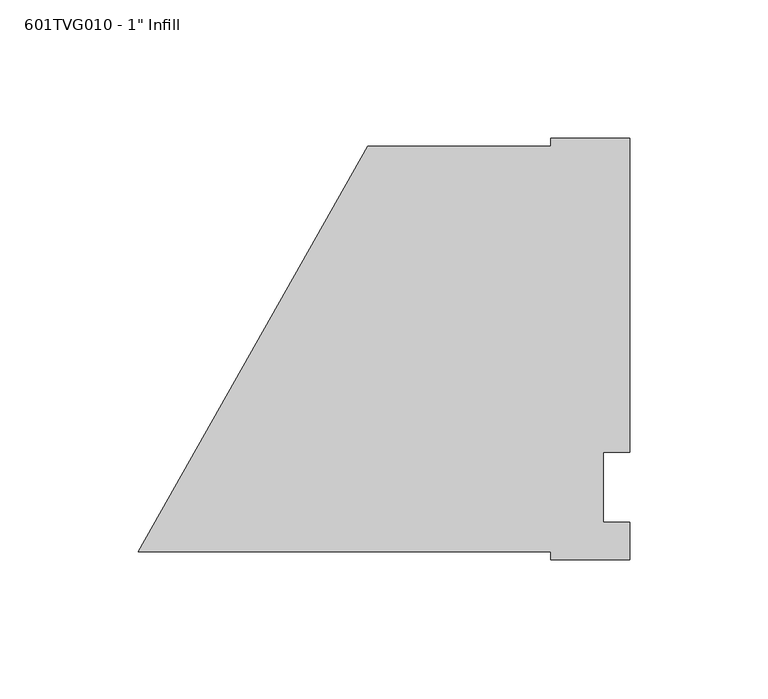
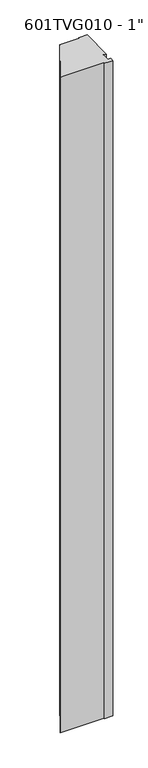
"""IFC4 building model written with IfcOpenShell, lengths in millimetres: proxy geometry."""

from ifc_helpers import new_model, si_unit, frame, origin, place, context, project, spatial, polyline, outline, extrude, source, transform, mapped, element, save


def proxy_2bf4db5f(model_context):
    return source(origin(), model_context, "Body", "SweptSolid", [
        extrude(outline(polyline([(177.8, -26.19375), (149.1581978, -26.19375), (149.1581978, -23.33625), (0.0, -23.33625), (82.99038, 123.34875), (149.2711005, 123.34875), (149.2711005, 126.20625), (177.8, 126.20625), (177.8, 12.7), (168.275, 12.7), (168.275, -12.7), (177.8, -12.7), (177.8, -26.19375)])), frame((0.0, 0.0, 50.8), z_axis=(0.0, 0.0, 1.0), x_axis=(1.0, 0.0, 0.0)), (0.0, 0.0, 1.0), 2362.2),
    ])


if __name__ == "__main__":
    model = new_model("IFC4")
    model_context = context("Model", 3, world=origin())
    ifc_project = project(units=[si_unit("LENGTHUNIT", "METRE", prefix="MILLI")], contexts=[model_context])
    site = spatial("IfcSite", under=ifc_project)
    building = spatial("IfcBuilding", under=site)
    placement = place(None, origin())
    proxy_shape = proxy_2bf4db5f(model_context)
    element("IfcBuildingElementProxy", 1, Name="601TVG010 - 1\" Infill", ObjectType="601TVG010 - 1\" Infill", at=placement, inside=building, context=model_context, shape_type="MappedRepresentation", body=[
        mapped(proxy_shape, transform((0.0, 0.0, 0.0), x_axis=(1.0, 0.0, 0.0), y_axis=(0.0, 1.0, 0.0), z_axis=(0.0, 0.0, 1.0))),
    ])
    save(model, "model.ifc")
